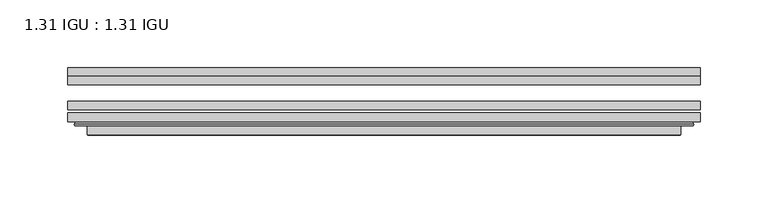
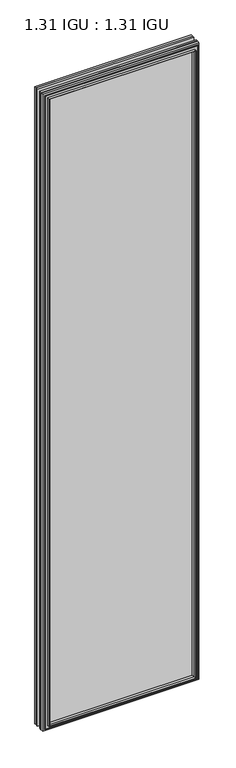
"""IFC4 building model written with IfcOpenShell, lengths in millimetres: plate geometry, 1.31 IGU : 1.31 IGU."""

from ifc_helpers import new_model, si_unit, frame, origin, place, context, project, spatial, polyline, ellipse_curve, outline, extrude, faceted_brep, source, transform, mapped, element, save
from ifc_brep_helpers import plane_surface, cylinder_surface, advanced_brep


def plate_1_31_igu_1_31_igu_0a2fd023(model_context):
    return source(origin(), model_context, "Body", "SolidModel", [
        extrude(outline(polyline([(233.376675, -66.4725937), (233.376675, -72.8225938), (-233.3625, -72.8225938), (-233.3625, -66.4725937), (233.376675, -66.4725937)])), frame((0.0, 0.0, -14.2875), z_axis=(0.0, 0.0, 1.0), x_axis=(1.0, 0.0, 0.0)), (0.0, 0.0, 1.0), 2009.7964726),
        extrude(outline(polyline([(-233.3625, -81.4585938), (-233.3625, -75.1080887), (233.376675, -75.1080887), (233.376675, -81.4585938), (-233.3625, -81.4585938)])), frame((0.0, 0.0, -14.2875), z_axis=(0.0, 0.0, 1.0), x_axis=(1.0, 0.0, 0.0)), (0.0, 0.0, 1.0), 2009.7964726),
        extrude(outline(polyline([(233.376675, -48.1337937), (233.376675, -54.4837938), (-233.3625, -54.4837938), (-233.3625, -48.1337937), (233.376675, -48.1337937)])), frame((0.0, 0.0, -14.2875), z_axis=(0.0, 0.0, 1.0), x_axis=(1.0, 0.0, 0.0)), (0.0, 0.0, 1.0), 2009.7964726),
        faceted_brep([(-219.0696902, -41.7837938, 1981.2123649), (-218.1772559, -48.1337937, 1980.3199306), (-218.1772559, -48.1337937, 0.8977441), (-219.0696902, -41.7837938, 0.0053098), (-233.3752, -48.1337937, 1995.5178747), (-233.3752, -41.7837938, 1995.5178747), (-233.3752, -41.7837938, -14.3002), (-233.3752, -48.1337937, -14.3002), (218.1772559, -48.1337937, 0.8977441), (219.0696902, -41.7837938, 0.0053098), (233.3752, -41.7837938, -14.3002), (233.3752, -48.1337937, -14.3002), (218.1772559, -48.1337937, 1980.3199306), (219.0696902, -41.7837938, 1981.2123649), (233.3752, -41.7837938, 1995.5178747), (233.3752, -48.1337937, 1995.5178747)], [[[0, 1, 2, 3]], [[4, 5, 6, 7]], [[3, 2, 8, 9]], [[7, 6, 10, 11]], [[9, 8, 12, 13]], [[11, 10, 14, 15]], [[7, 11, 15, 4], [1, 12, 8, 2]], [[13, 12, 1, 0]], [[5, 14, 10, 6], [3, 9, 13, 0]], [[15, 14, 5, 4]]]),
        advanced_brep(
        [(-227.4736349, -84.6335938, 1989.6163096), (-228.4754244, -83.4482604, 1990.6180991), (-228.4754244, -83.4482604, -9.4004244), (-227.4736349, -84.6335938, -8.3986349), (-219.0695784, -91.0948368, 1981.2122532), (-219.0695784, -84.6335938, 1981.2122532), (-219.0695784, -84.6335938, 0.0054216), (-219.0695784, -91.0948368, 0.0054216), (-218.0789217, -90.6958619, 1980.2215964), (-218.0789217, -90.6958619, 0.9960783), (-217.0468939, -85.2986307, 1979.1895686), (-217.0468939, -85.2986307, 2.0281061), (-212.1120621, -81.4585938, 1974.2547368), (-212.1120621, -81.4585938, 6.9629379), (-226.121219, -81.4585938, 1988.2638938), (-226.121219, -81.4585938, -7.046219), (228.4754244, -83.4482604, -9.4004244), (227.4736349, -84.6335938, -8.3986349), (219.0695784, -84.6335938, 0.0054216), (219.0695784, -91.0948368, 0.0054216), (218.0789217, -90.6958619, 0.9960783), (217.0468939, -85.2986307, 2.0281061), (212.1120621, -81.4585938, 6.9629379), (226.121219, -81.4585938, -7.046219), (228.4754244, -83.4482604, 1990.6180991), (227.4736349, -84.6335938, 1989.6163096), (219.0695784, -84.6335938, 1981.2122532), (219.0695784, -91.0948368, 1981.2122532), (218.0789217, -90.6958619, 1980.2215964), (217.0468939, -85.2986307, 1979.1895686), (212.1120621, -81.4585938, 1974.2547368), (226.121219, -81.4585938, 1988.2638938)],
        [
            (0, 1, ellipse_curve(frame((-227.4736349, -83.6175938, 1989.6163096), z_axis=(-0.7071067811865475, 0.0, -0.7071067811865475), x_axis=(-0.7071067811865474, 0.0, 0.7071067811865476)), 1.436841, 1.016)),
            (1, 2),
            (2, 3, ellipse_curve(frame((-227.4736349, -83.6175938, -8.3986349), z_axis=(-0.7071067811865475, 0.0, 0.7071067811865475), x_axis=(0.7071067811865474, 0.0, 0.7071067811865476)), 1.436841, 1.016)),
            (3, 0),
            (4, 5),
            (5, 6),
            (6, 7),
            (7, 4),
            (8, 4, ellipse_curve(frame((-218.7026219, -90.5766015, 1980.8452966), z_axis=(-0.7071067811865475, 0.0, -0.7071067811865475), x_axis=(-0.7071067811865474, 0.0, 0.7071067811865476)), 0.8980256, 0.635)),
            (7, 9, ellipse_curve(frame((-218.7026219, -90.5766015, 0.3723781), z_axis=(-0.7071067811865475, 0.0, 0.7071067811865475), x_axis=(0.7071067811865474, 0.0, 0.7071067811865476)), 0.8980256, 0.635)),
            (9, 8),
            (10, 8),
            (9, 11),
            (11, 10),
            (12, 10),
            (11, 13),
            (13, 12),
            (1, 14, ellipse_curve(frame((-226.121219, -83.8461938, 1988.2638938), z_axis=(-0.7071067811865475, 0.0, -0.7071067811865475), x_axis=(-0.7071067811865474, 0.0, 0.7071067811865476)), 3.3765763, 2.3876)),
            (14, 15),
            (15, 2, ellipse_curve(frame((-226.121219, -83.8461938, -7.046219), z_axis=(-0.7071067811865475, 0.0, 0.7071067811865475), x_axis=(0.7071067811865474, 0.0, 0.7071067811865476)), 3.3765763, 2.3876)),
            (2, 16),
            (16, 17, ellipse_curve(frame((227.4736349, -83.6175938, -8.3986349), z_axis=(-0.7071067811865475, 0.0, -0.7071067811865475), x_axis=(-0.7071067811865476, 0.0, 0.7071067811865474)), 1.436841, 1.016)),
            (17, 3),
            (6, 18),
            (18, 19),
            (19, 7),
            (19, 20, ellipse_curve(frame((218.7026219, -90.5766015, 0.3723781), z_axis=(-0.7071067811865475, 0.0, -0.7071067811865475), x_axis=(-0.7071067811865476, 0.0, 0.7071067811865474)), 0.8980256, 0.635)),
            (20, 9),
            (20, 21),
            (21, 11),
            (21, 22),
            (22, 13),
            (15, 23),
            (23, 16, ellipse_curve(frame((226.121219, -83.8461938, -7.046219), z_axis=(-0.7071067811865475, 0.0, -0.7071067811865475), x_axis=(-0.7071067811865476, 0.0, 0.7071067811865474)), 3.3765763, 2.3876)),
            (16, 24),
            (24, 25, ellipse_curve(frame((227.4736349, -83.6175938, 1989.6163096), z_axis=(0.7071067811865475, 0.0, -0.7071067811865475), x_axis=(-0.7071067811865474, 0.0, -0.7071067811865476)), 1.436841, 1.016)),
            (25, 17),
            (18, 26),
            (26, 27),
            (27, 19),
            (27, 28, ellipse_curve(frame((218.7026219, -90.5766015, 1980.8452966), z_axis=(0.7071067811865475, 0.0, -0.7071067811865475), x_axis=(-0.7071067811865474, 0.0, -0.7071067811865476)), 0.8980256, 0.635)),
            (28, 20),
            (28, 29),
            (29, 21),
            (29, 30),
            (30, 22),
            (23, 31),
            (31, 24, ellipse_curve(frame((226.121219, -83.8461938, 1988.2638938), z_axis=(0.7071067811865475, 0.0, -0.7071067811865475), x_axis=(-0.7071067811865474, 0.0, -0.7071067811865476)), 3.3765763, 2.3876)),
            (24, 1),
            (0, 25),
            (5, 26),
            (4, 27),
            (8, 28),
            (10, 29),
            (12, 30),
            (14, 31),
        ],
        [
            cylinder_surface(frame((-227.4736349, -83.6175938, 2012.9676747), z_axis=(0.0, 0.0, 1.0), x_axis=(-1.0, 0.0, 0.0)), 1.016),
            plane_surface(frame((-219.0695784, -84.6335938, 1981.2122532), z_axis=(-1.0, 0.0, 0.0), x_axis=(0.0, 0.0, -1.0))),
            cylinder_surface(frame((-218.7026219, -90.5766015, 2012.9676747), z_axis=(0.0, 0.0, 1.0), x_axis=(-1.0, 0.0, 0.0)), 0.635),
            plane_surface(frame((-218.0789217, -90.6958619, 1980.2215964), z_axis=(0.9822050625507717, -0.18781164793386754, 0.0), x_axis=(0.0, 0.0, -1.0))),
            plane_surface(frame((-217.0468939, -85.2986307, 1979.1895686), z_axis=(0.6141233906514726, -0.7892100234124875, 0.0), x_axis=(0.0, 0.0, -1.0))),
            cylinder_surface(frame((-226.121219, -83.8461938, 2012.9676747), z_axis=(0.0, 0.0, 1.0), x_axis=(-1.0, 0.0, 0.0)), 2.3876),
            cylinder_surface(frame((-250.825, -83.6175938, -8.3986349), z_axis=(-1.0, 0.0, 0.0), x_axis=(0.0, 0.0, -1.0)), 1.016),
            plane_surface(frame((-219.0695784, -84.6335938, 0.0054216), z_axis=(0.0, 0.0, -1.0), x_axis=(1.0, 0.0, 0.0))),
            cylinder_surface(frame((-250.825, -90.5766015, 0.3723781), z_axis=(-1.0, 0.0, 0.0), x_axis=(0.0, 0.0, -1.0)), 0.635),
            plane_surface(frame((-218.0789217, -90.6958619, 0.9960783), z_axis=(0.0, -0.18781164793386435, 0.9822050625507722), x_axis=(1.0, 0.0, 0.0))),
            plane_surface(frame((-217.0468939, -85.2986307, 2.0281061), z_axis=(0.0, -0.7892100234124855, 0.6141233906514751), x_axis=(1.0, 0.0, 0.0))),
            cylinder_surface(frame((-250.825, -83.8461938, -7.046219), z_axis=(-1.0, 0.0, 0.0), x_axis=(0.0, 0.0, -1.0)), 2.3876),
            cylinder_surface(frame((227.4736349, -83.6175938, -31.75), z_axis=(0.0, 0.0, -1.0), x_axis=(1.0, 0.0, 0.0)), 1.016),
            plane_surface(frame((219.0695784, -84.6335938, 0.0054216), z_axis=(1.0, 0.0, 0.0), x_axis=(0.0, 0.0, 1.0))),
            cylinder_surface(frame((218.7026219, -90.5766015, -31.75), z_axis=(0.0, 0.0, -1.0), x_axis=(1.0, 0.0, 0.0)), 0.635),
            plane_surface(frame((218.0789217, -90.6958619, 0.9960783), z_axis=(-0.9822050625507728, -0.18781164793386115, 0.0), x_axis=(0.0, 0.0, 1.0))),
            plane_surface(frame((217.0468939, -85.2986307, 2.0281061), z_axis=(-0.6141233906514777, -0.7892100234124835, 0.0), x_axis=(0.0, 0.0, 1.0))),
            cylinder_surface(frame((226.121219, -83.8461938, -31.75), z_axis=(0.0, 0.0, -1.0), x_axis=(1.0, 0.0, 0.0)), 2.3876),
            cylinder_surface(frame((250.825, -83.6175938, 1989.6163096), z_axis=(1.0, 0.0, 0.0), x_axis=(0.0, 0.0, 1.0)), 1.016),
            plane_surface(frame((227.4736349, -84.6335938, 1989.6163096), z_axis=(0.0, -1.0, 0.0), x_axis=(-1.0, 0.0, 0.0))),
            plane_surface(frame((219.0695784, -84.6335938, 1981.2122532), z_axis=(0.0, 0.0, 1.0), x_axis=(-1.0, 0.0, 0.0))),
            cylinder_surface(frame((250.825, -90.5766015, 1980.8452966), z_axis=(1.0, 0.0, 0.0), x_axis=(0.0, 0.0, 1.0)), 0.635),
            plane_surface(frame((218.0789217, -90.6958619, 1980.2215964), z_axis=(0.0, -0.18781164793386435, -0.9822050625507722), x_axis=(-1.0, 0.0, 0.0))),
            plane_surface(frame((217.0468939, -85.2986307, 1979.1895686), z_axis=(0.0, -0.7892100234124855, -0.6141233906514751), x_axis=(-1.0, 0.0, 0.0))),
            plane_surface(frame((212.1120621, -81.4585938, 1974.2547368), z_axis=(0.0, 1.0, 0.0), x_axis=(-1.0, 0.0, 0.0))),
            cylinder_surface(frame((250.825, -83.8461938, 1988.2638938), z_axis=(1.0, 0.0, 0.0), x_axis=(0.0, 0.0, 1.0)), 2.3876),
        ],
        [
            (0, [[1, 2, 3, 4]]),
            (1, [[5, 6, 7, 8]]),
            (2, [[9, -8, 10, 11]]),
            (3, [[12, -11, 13, 14]]),
            (4, [[15, -14, 16, 17]]),
            (5, [[18, 19, 20, -2]]),
            (6, [[-3, 21, 22, 23]]),
            (7, [[-7, 24, 25, 26]]),
            (8, [[-10, -26, 27, 28]]),
            (9, [[-13, -28, 29, 30]]),
            (10, [[-16, -30, 31, 32]]),
            (11, [[-20, 33, 34, -21]]),
            (12, [[-22, 35, 36, 37]]),
            (13, [[-25, 38, 39, 40]]),
            (14, [[-27, -40, 41, 42]]),
            (15, [[-29, -42, 43, 44]]),
            (16, [[-31, -44, 45, 46]]),
            (17, [[-34, 47, 48, -35]]),
            (18, [[-36, 49, -1, 50]]),
            (19, [[-23, -37, -50, -4], [51, -38, -24, -6]]),
            (20, [[-39, -51, -5, 52]]),
            (21, [[-41, -52, -9, 53]]),
            (22, [[-43, -53, -12, 54]]),
            (23, [[-45, -54, -15, 55]]),
            (24, [[56, -47, -33, -19], [-32, -46, -55, -17]]),
            (25, [[-48, -56, -18, -49]]),
        ],
    ),
    ])


if __name__ == "__main__":
    model = new_model("IFC4")
    model_context = context("Model", 3, world=origin())
    ifc_project = project(units=[si_unit("LENGTHUNIT", "METRE", prefix="MILLI")], contexts=[model_context])
    site = spatial("IfcSite", under=ifc_project)
    building = spatial("IfcBuilding", under=site)
    placement = place(None, origin())
    plate_1_31_igu_1_31_igu_shape = plate_1_31_igu_1_31_igu_0a2fd023(model_context)
    element("IfcPlate", 1, ObjectType="1.31 IGU : 1.31 IGU", at=placement, inside=building, context=model_context, shape_type="MappedRepresentation", body=[
        mapped(plate_1_31_igu_1_31_igu_shape, transform((0.0, 0.0, 0.0), x_axis=(1.0, 0.0, 0.0), y_axis=(0.0, 1.0, 0.0), z_axis=(0.0, 0.0, 1.0))),
    ])
    save(model, "model.ifc")
